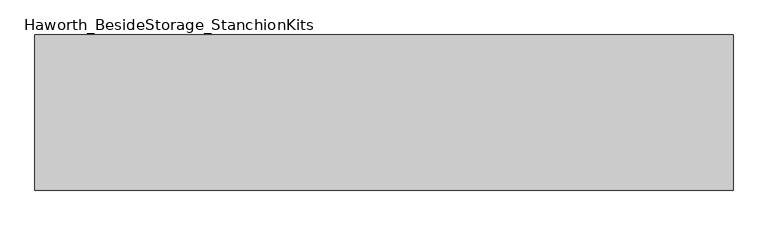
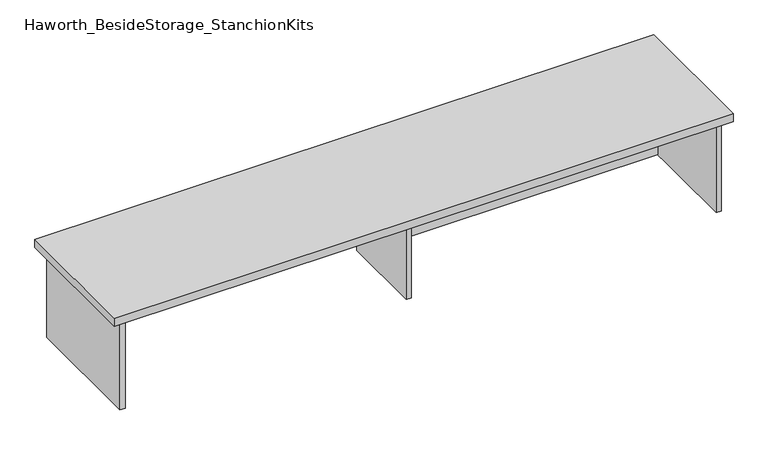
"""IFC4 building model written with IfcOpenShell, lengths in millimetres: furniture geometry, Haworth_BesideStorage_StanchionKits."""

from ifc_helpers import new_model, si_unit, frame, origin, place, context, project, spatial, polyline, outline, extrude, source, transform, mapped, element, save


def haworth_besidestorage_stanchionkits_5fc94b54(model_context):
    return source(origin(), model_context, "Body", "SweptSolid", [
        extrude(outline(polyline([(1076.325, 0.0), (1076.325, -406.4), (-752.475, -406.4), (-752.475, 0.0), (1076.325, 0.0)])), frame((0.0, 0.0, 711.2), z_axis=(0.0, 0.0, 1.0), x_axis=(1.0, 0.0, 0.0)), (0.0, 0.0, 1.0), 25.4),
        extrude(outline(polyline([(169.8625, -76.2), (1035.05, -76.2), (1035.05, -92.075), (169.8625, -92.075), (169.8625, -76.2)])), frame((0.0, 0.0, 431.8), z_axis=(0.0, 0.0, 1.0), x_axis=(1.0, 0.0, 0.0)), (0.0, 0.0, 1.0), 279.4),
        extrude(outline(polyline([(169.8625, -330.2), (153.9875, -330.2), (153.9875, -76.2), (169.8625, -76.2), (169.8625, -330.2)])), frame((0.0, 0.0, 431.8), z_axis=(0.0, 0.0, 1.0), x_axis=(1.0, 0.0, 0.0)), (0.0, 0.0, 1.0), 279.4),
        extrude(outline(polyline([(1050.925, -390.525), (1035.05, -390.525), (1035.05, -15.875), (1050.925, -15.875), (1050.925, -390.525)])), frame((0.0, 0.0, 431.8), z_axis=(0.0, 0.0, 1.0), x_axis=(1.0, 0.0, 0.0)), (0.0, 0.0, 1.0), 279.4),
        extrude(outline(polyline([(-711.2, -390.525), (-727.075, -390.525), (-727.075, -15.875), (-711.2, -15.875), (-711.2, -390.525)])), frame((0.0, 0.0, 431.8), z_axis=(0.0, 0.0, 1.0), x_axis=(1.0, 0.0, 0.0)), (0.0, 0.0, 1.0), 279.4),
    ])


if __name__ == "__main__":
    model = new_model("IFC4")
    model_context = context("Model", 3, world=origin())
    ifc_project = project(units=[si_unit("LENGTHUNIT", "METRE", prefix="MILLI")], contexts=[model_context])
    site = spatial("IfcSite", under=ifc_project)
    building = spatial("IfcBuilding", under=site)
    placement = place(None, origin())
    haworth_besidestorage_stanchionkits_shape = haworth_besidestorage_stanchionkits_5fc94b54(model_context)
    element("IfcFurniture", 1, ObjectType="Haworth_BesideStorage_StanchionKits", at=placement, inside=building, context=model_context, shape_type="MappedRepresentation", body=[
        mapped(haworth_besidestorage_stanchionkits_shape, transform((0.0, 0.0, 0.0), x_axis=(1.0, 0.0, 0.0), y_axis=(0.0, 1.0, 0.0), z_axis=(0.0, 0.0, 1.0))),
    ])
    save(model, "model.ifc")
